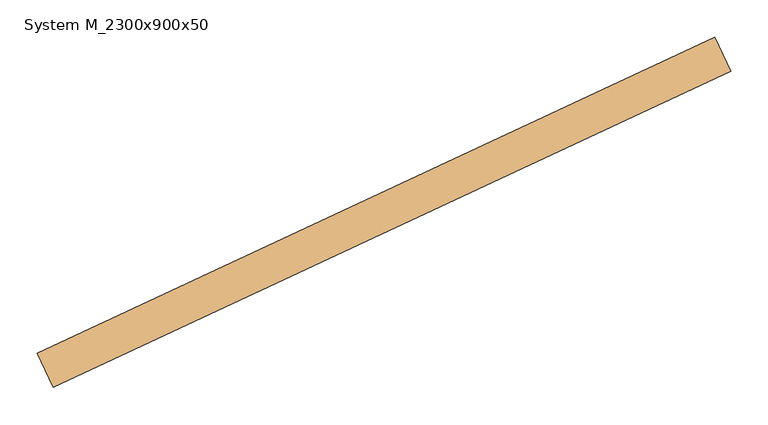
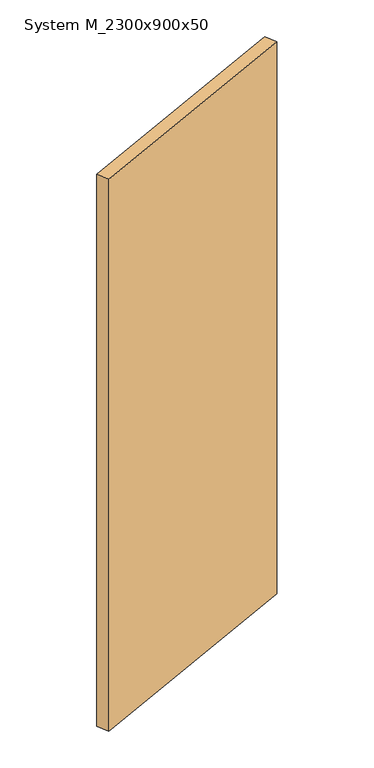
"""IFC4 building model written with IfcOpenShell, lengths in millimetres: door geometry, System M_2300x900x50."""

from ifc_helpers import new_model, si_unit, frame, origin, place, context, project, spatial, polyline, outline, extrude, source, transform, mapped, element, save


def system_m_2300x900x50_74b0a486(model_context):
    return source(origin(), model_context, "Body", "SweptSolid", [
        extrude(outline(polyline([(826.2424649, 357.6987409), (-80.0653222, -64.9195208), (-101.1962352, -19.6041315), (805.1115518, 403.0141302), (826.2424649, 357.6987409)])), frame((0.0, 0.0, 11.0), z_axis=(0.0, 0.0, 1.0), x_axis=(1.0, 0.0, 0.0)), (0.0, 0.0, 1.0), 2300.0),
    ])


if __name__ == "__main__":
    model = new_model("IFC4")
    model_context = context("Model", 3, world=origin())
    ifc_project = project(units=[si_unit("LENGTHUNIT", "METRE", prefix="MILLI")], contexts=[model_context])
    site = spatial("IfcSite", under=ifc_project)
    building = spatial("IfcBuilding", under=site)
    placement = place(None, origin())
    system_m_2300x900x50_shape = system_m_2300x900x50_74b0a486(model_context)
    element("IfcDoor", 1, ObjectType="System M_2300x900x50", at=placement, inside=building, context=model_context, shape_type="MappedRepresentation", body=[
        mapped(system_m_2300x900x50_shape, transform((0.0, 0.0, 0.0), x_axis=(1.0, 0.0, 0.0), y_axis=(0.0, 1.0, 0.0), z_axis=(0.0, 0.0, 1.0))),
    ])
    save(model, "model.ifc")
